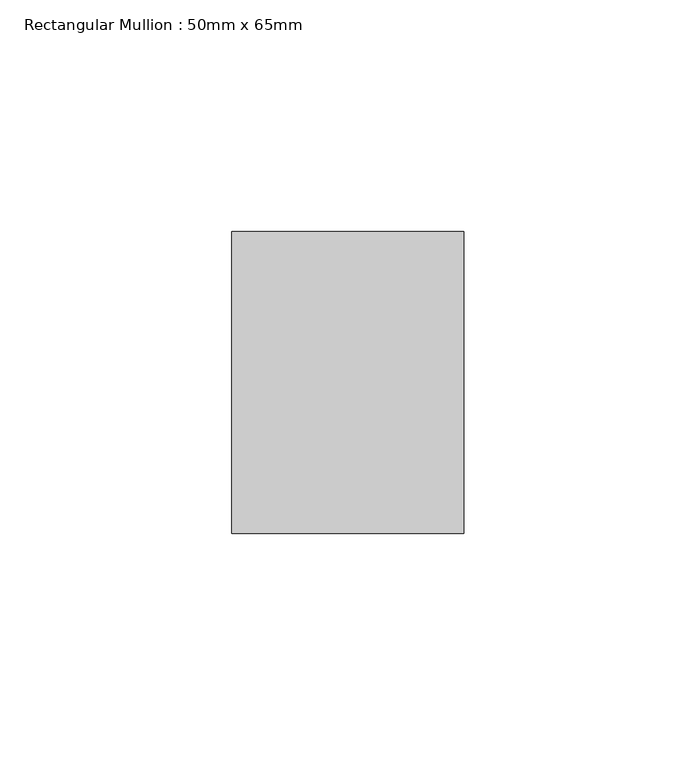
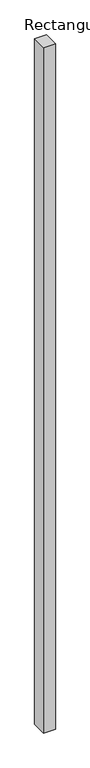
"""IFC4 building model written with IfcOpenShell, lengths in millimetres: member geometry, Rectangular Mullion : 50mm x 65mm."""

from ifc_helpers import new_model, si_unit, frame, origin, place, context, project, spatial, polyline, outline, extrude, source, transform, mapped, element, save


def rectangular_mullion_50mm_x_65mm_fe9bf5f7(model_context):
    return source(origin(), model_context, "Body", "SweptSolid", [
        extrude(outline(polyline([(25.0, 32.5), (25.0, -32.5), (-25.0, -32.5), (-25.0, 32.5), (25.0, 32.5)])), frame((0.0, 0.0, -3078.7116698), z_axis=(0.0, 0.0, 1.0), x_axis=(1.0, 0.0, 0.0)), (0.0, 0.0, 1.0), 3078.7116698),
    ])


if __name__ == "__main__":
    model = new_model("IFC4")
    model_context = context("Model", 3, world=origin())
    ifc_project = project(units=[si_unit("LENGTHUNIT", "METRE", prefix="MILLI")], contexts=[model_context])
    site = spatial("IfcSite", under=ifc_project)
    building = spatial("IfcBuilding", under=site)
    placement = place(None, origin())
    rectangular_mullion_50mm_x_65mm_shape = rectangular_mullion_50mm_x_65mm_fe9bf5f7(model_context)
    element("IfcMember", 1, ObjectType="Rectangular Mullion : 50mm x 65mm", at=placement, inside=building, context=model_context, shape_type="MappedRepresentation", body=[
        mapped(rectangular_mullion_50mm_x_65mm_shape, transform((0.0, 0.0, 0.0), x_axis=(1.0, 0.0, 0.0), y_axis=(0.0, 1.0, 0.0), z_axis=(0.0, 0.0, 1.0))),
    ])
    save(model, "model.ifc")
